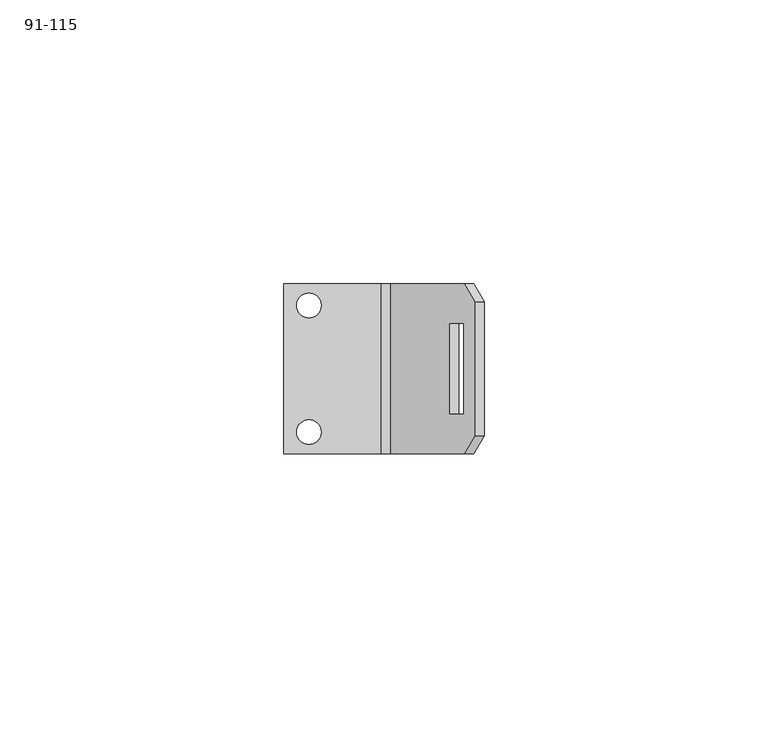
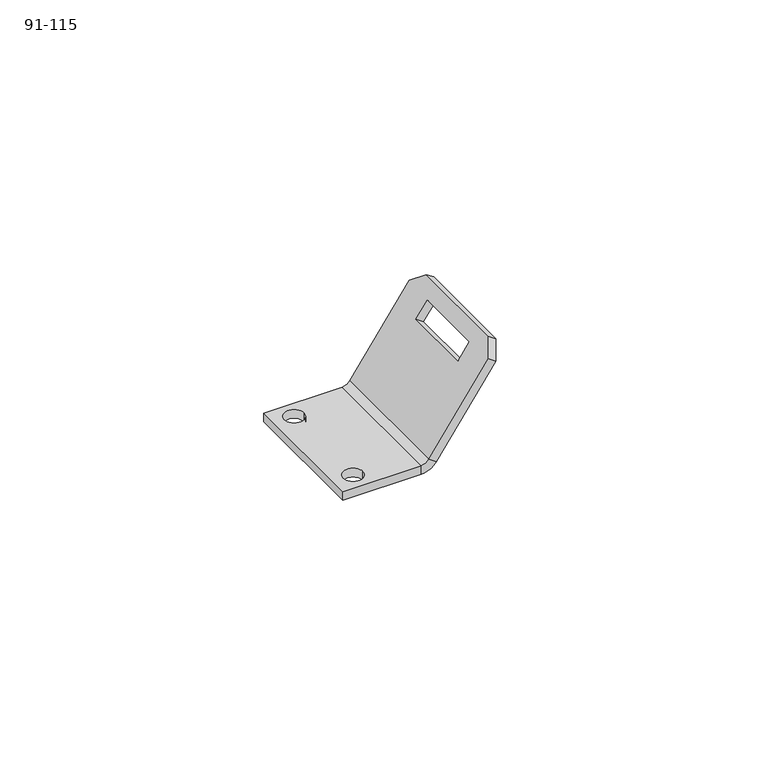
"""IFC4 building model written with IfcOpenShell, lengths in millimetres: proxy geometry, 91-115."""

import ifcopenshell
import ifcopenshell.guid

model = None  # the IFC model being written
_history = None  # IfcOwnerHistory: only IFC2X3 demands one
_inside = {}  # id of a spatial element -> (the spatial element, [elements in it])
_under = {}  # id of a project, library or spatial element -> (it, [spatial elements below it])
_declared = {}  # id of a project -> (the project, [libraries it declares])
_typed = {}  # id of a type object -> (the type object, [elements of that type])
_made_of = {}  # id of a material, layer set ... -> (it, [elements and type objects made of it])


def new_model(schema):
    """Start an empty IFC model of exactly this schema.

    Asked for "IFC4X3", IfcOpenShell would pick the latest addendum, in which some entities
    have other attributes; the version numbers below select the first issue.
    IFC2X3 requires an IfcOwnerHistory on every rooted entity: one is made here for all.
    """
    global model, _history
    if schema == "IFC4X3":
        model = ifcopenshell.file(schema_version=(4, 3, 0, 0))
    else:
        model = ifcopenshell.file(schema=schema)
    _inside.clear()
    _under.clear()
    _declared.clear()
    _typed.clear()
    _made_of.clear()
    _history = None
    if model.schema == "IFC2X3":
        org = make("IfcOrganization", Name="unknown")
        user = make(
            "IfcPersonAndOrganization",
            ThePerson=make("IfcPerson", FamilyName="unknown"),
            TheOrganization=org,
        )
        app = make(
            "IfcApplication",
            ApplicationDeveloper=org,
            Version="unknown",
            ApplicationFullName="unknown",
            ApplicationIdentifier="unknown",
        )
        _history = make(
            "IfcOwnerHistory",
            OwningUser=user,
            OwningApplication=app,
            ChangeAction="ADDED",
            CreationDate=0,
        )
    return model


def make(cls, **values):
    """One entity of the class cls with the attributes given. An attribute that is None is left unset."""
    return model.create_entity(
        cls, **{name: value for name, value in values.items() if value is not None}
    )


def rooted(cls, **values):
    """An entity with a GlobalId (a new one), such as an element, a storey or a relation."""
    return make(cls, GlobalId=ifcopenshell.guid.new(), OwnerHistory=_history, **values)


def si_unit(unit_type, name, prefix=None):
    """IfcSIUnit, for example si_unit("LENGTHUNIT", "METRE", prefix="MILLI")."""
    return make("IfcSIUnit", UnitType=unit_type, Prefix=prefix, Name=name)


def assignment(units):
    """IfcUnitAssignment: the units of a project."""
    return None if units is None else make("IfcUnitAssignment", Units=units)


def point(xyz):
    """IfcCartesianPoint."""
    return None if xyz is None else make("IfcCartesianPoint", Coordinates=xyz)


def direction(xyz):
    """IfcDirection."""
    return None if xyz is None else make("IfcDirection", DirectionRatios=xyz)


def frame(location, z_axis=None, x_axis=None):
    """IfcAxis2Placement3D, a coordinate frame: its origin and axes. An axis left out is left unset."""
    return make(
        "IfcAxis2Placement3D",
        Location=point(location),
        Axis=direction(z_axis),
        RefDirection=direction(x_axis),
    )


def origin():
    """The frame at (0, 0, 0) with its axes left unset."""
    return frame((0.0, 0.0, 0.0))


def place(relative_to, where):
    """IfcLocalPlacement: puts the frame where relative to a parent placement (None: the world)."""
    return make(
        "IfcLocalPlacement", PlacementRelTo=relative_to, RelativePlacement=where
    )


def context(
    kind, dimensions, precision=None, world=None, true_north=None, identifier=None
):
    """IfcGeometricRepresentationContext, for example the 3D "Model" context."""
    return make(
        "IfcGeometricRepresentationContext",
        ContextIdentifier=identifier,
        ContextType=kind,
        CoordinateSpaceDimension=dimensions,
        Precision=precision,
        WorldCoordinateSystem=world,
        TrueNorth=true_north,
    )


def project(units=None, contexts=None):
    """IfcProject with its units and contexts."""
    return rooted(
        "IfcProject",
        Name="project",
        RepresentationContexts=contexts,
        UnitsInContext=assignment(units),
    )


def spatial(cls, under=None, at=None, **own):
    """A site, building, storey or space (cls), placed at a placement, below another one or the project."""
    s = rooted(cls, ObjectPlacement=at, **own)
    if under is not None:
        _under.setdefault(under.id(), (under, []))[1].append(s)
    return s


def polyline(points):
    """IfcPolyline through the points."""
    return make("IfcPolyline", Points=[point(p) for p in points])


def circle_curve(where, radius):
    """IfcCircle in the frame where."""
    return make("IfcCircle", Position=where, Radius=radius)


def shape(context_of_items, identifier, shape_type, items):
    """IfcShapeRepresentation: the items that make up one representation, for example the "Body"."""
    return make(
        "IfcShapeRepresentation",
        ContextOfItems=context_of_items,
        RepresentationIdentifier=identifier,
        RepresentationType=shape_type,
        Items=items,
    )


def source(mapping_origin, context_of_items, identifier, shape_type, items):
    """IfcRepresentationMap: a shape defined once, which mapped items show again and again."""
    return make(
        "IfcRepresentationMap",
        MappingOrigin=mapping_origin,
        MappedRepresentation=shape(context_of_items, identifier, shape_type, items),
    )


def transform(
    local_origin,
    x_axis=None,
    y_axis=None,
    z_axis=None,
    scale=None,
    scale2=None,
    scale3=None,
    uniform=True,
):
    """IfcCartesianTransformationOperator3D, or its non-uniform kind. x_axis, y_axis, z_axis: its Axis1, 2, 3."""
    if uniform:
        return make(
            "IfcCartesianTransformationOperator3D",
            Axis1=direction(x_axis),
            Axis2=direction(y_axis),
            LocalOrigin=point(local_origin),
            Scale=scale,
            Axis3=direction(z_axis),
        )
    return make(
        "IfcCartesianTransformationOperator3DnonUniform",
        Axis1=direction(x_axis),
        Axis2=direction(y_axis),
        LocalOrigin=point(local_origin),
        Scale=scale,
        Axis3=direction(z_axis),
        Scale2=scale2,
        Scale3=scale3,
    )


def mapped(mapping_source, mapping_target):
    """IfcMappedItem: shows the shape of a source again, moved by a transform."""
    return make(
        "IfcMappedItem", MappingSource=mapping_source, MappingTarget=mapping_target
    )


def made_of(thing, what):
    """Note that an element or type object is made of a material, layer set ...; save() writes the relation."""
    if what is not None:
        _made_of.setdefault(what.id(), (what, []))[1].append(thing)
    return thing


def element(
    cls,
    number,
    at=None,
    inside=None,
    cuts=None,
    type_object=None,
    material=None,
    context=None,
    identifier="Body",
    shape_type=None,
    held_by="IfcProductDefinitionShape",
    body=None,
    shapes=None,
    **own,
):
    """One element of the class cls, such as IfcWall. Its Tag is "e" and its number.

    at: its placement. inside: the storey or other place that contains it. cuts: it is an
    opening in that element (IfcRelVoidsElement). A single representation is given by context,
    identifier, shape_type and body (its items); several are given by shapes. held_by: the class
    of the entity that holds the representations. save() writes the other relations.
    """
    e = rooted(cls, Tag="e%d" % number, ObjectPlacement=at, **own)
    if body is not None:
        shapes = [shape(context, identifier, shape_type, body)]
    if shapes is not None:
        e.Representation = make(held_by, Representations=shapes)
    if inside is not None:
        _inside.setdefault(inside.id(), (inside, []))[1].append(e)
    if cuts is not None:
        rooted(
            "IfcRelVoidsElement", RelatingBuildingElement=cuts, RelatedOpeningElement=e
        )
    if type_object is not None:
        _typed.setdefault(type_object.id(), (type_object, []))[1].append(e)
    return made_of(e, material)


def aggregate(whole, parts):
    """IfcRelAggregates: a whole, such as a stair, and the parts it consists of."""
    return rooted("IfcRelAggregates", RelatingObject=whole, RelatedObjects=parts)


def save(model, path):
    """Write the relations noted so far, then the file.

    IfcRelAggregates (storeys below a building ...), IfcRelContainedInSpatialStructure (elements
    in a storey), IfcRelDefinesByType, IfcRelAssociatesMaterial and IfcRelDeclares: one each for
    every whole, place, type object, material and project.
    """
    for whole, parts in _under.values():
        aggregate(whole, parts)
    for where, things in _inside.values():
        rooted(
            "IfcRelContainedInSpatialStructure",
            RelatedElements=things,
            RelatingStructure=where,
        )
    for kind, things in _typed.values():
        rooted("IfcRelDefinesByType", RelatedObjects=things, RelatingType=kind)
    for what, things in _made_of.values():
        rooted("IfcRelAssociatesMaterial", RelatedObjects=things, RelatingMaterial=what)
    for by, libraries in _declared.values():
        rooted("IfcRelDeclares", RelatingContext=by, RelatedDefinitions=libraries)
    model.write(path)


def plane_surface(at):
    """IfcPlane: the flat surface through the origin of the frame at, square to its z axis."""
    return make("IfcPlane", Position=at)


def cylinder_surface(at, radius):
    """IfcCylindricalSurface: all points at the distance radius from the z axis of the frame at."""
    return make("IfcCylindricalSurface", Position=at, Radius=radius)


def revolved_surface(curve, axis_point, axis_direction):
    """IfcSurfaceOfRevolution: the curve turned about the line through axis_point along axis_direction."""
    return make(
        "IfcSurfaceOfRevolution",
        SweptCurve=make("IfcArbitraryOpenProfileDef", ProfileType="CURVE", Curve=curve),
        AxisPosition=make("IfcAxis1Placement", Location=point(axis_point), Axis=direction(axis_direction)),
    )


def advanced_brep(points, edges, surfaces, faces):
    """IfcAdvancedBrep: a solid bounded by faces that lie on surfaces and meet in shared edges.

    An edge is (start, end): straight between two places in points (the first is 0);
    or (start, end, curve); or (start, end, curve, False) where it runs against its curve.
    A face is (place in surfaces, loops), or (place, loops, False) where it looks against
    its surface's normal. A loop lists edges by number (the first is 1), with a minus sign
    where the edge is run from its end to its start. The first loop is the outer one.
    """
    corners = [point(p) for p in points]
    vertices = [make("IfcVertexPoint", VertexGeometry=c) for c in corners]
    made = []
    for start, end, *more in edges:
        made.append(
            make(
                "IfcEdgeCurve",
                EdgeStart=vertices[start],
                EdgeEnd=vertices[end],
                EdgeGeometry=more[0] if more else make("IfcPolyline", Points=[corners[start], corners[end]]),
                SameSense=more[1] if len(more) > 1 else True,
            )
        )
    hull = []
    for where, loops, *sense in faces:
        bounds = []
        for j, loop in enumerate(loops):
            ring = [make("IfcOrientedEdge", EdgeElement=made[abs(k) - 1], Orientation=k > 0) for k in loop]
            bounds.append(
                make(
                    "IfcFaceOuterBound" if j == 0 else "IfcFaceBound",
                    Bound=make("IfcEdgeLoop", EdgeList=ring),
                    Orientation=True,
                )
            )
        hull.append(make("IfcAdvancedFace", Bounds=bounds, FaceSurface=surfaces[where], SameSense=sense[0] if sense else True))
    return make("IfcAdvancedBrep", Outer=make("IfcClosedShell", CfsFaces=hull))


def proxy_91_115_ca65ae9c(model_context):
    return source(origin(), model_context, "Body", "AdvancedBrep", [
        advanced_brep(
        [(2.2733, -3.81, -1.9939), (2.2733, -3.81, 0.0), (6.6167, -3.81, 0.0), (6.6167, -3.81, -1.9939), (2.2733, -26.162, -1.9939), (2.2733, -26.162, 0.0), (6.6167, -26.162, 0.0), (6.6167, -26.162, -1.9939), (17.1476383, -29.972, -1.9939), (20.4142528, -29.972, -0.2934081), (18.7809456, -29.972, 0.8502459), (17.1476383, -29.972, 0.0), (20.4142528, 0.0, -0.2934081), (17.1476383, 0.0, -1.9939), (17.1476383, 0.0, 0.0), (18.7809456, 0.0, 0.8502459), (0.0, 0.0, -1.9939), (0.0, 0.0, 0.0), (0.0, -29.972, 0.0), (0.0, -29.972, -1.9939), (33.5277234, 0.0, 18.4345688), (35.3488286, -3.175, 21.0353765), (35.3488286, -26.797, 21.0353765), (33.5277234, -29.972, 18.4345688), (33.3126322, -22.9235, 18.1273868), (33.3126322, -7.0485, 18.1273868), (30.8749324, -7.0485, 14.6459906), (30.8749324, -22.9235, 14.6459906), (31.8944162, -29.972, 19.5782228), (31.8944162, 0.0, 19.5782228), (33.7155213, -3.175, 22.1790306), (33.7155213, -26.797, 22.1790306), (29.2416251, -22.9235, 15.7896446), (31.679325, -22.9235, 19.2710408), (29.2416251, -7.0485, 15.7896446), (31.679325, -7.0485, 19.2710408)],
        [
            (0, 1),
            (1, 2, circle_curve(frame((4.445, -3.81, 0.0), z_axis=(0.0, 0.0, 1.0), x_axis=(-1.0, 0.0, 0.0)), 2.1717)),
            (2, 3),
            (3, 0, circle_curve(frame((4.445, -3.81, -1.9939), z_axis=(0.0, 0.0, -1.0), x_axis=(-1.0, 0.0, 0.0)), 2.1717)),
            (4, 5),
            (5, 6, circle_curve(frame((4.445, -26.162, 0.0), z_axis=(0.0, 0.0, 1.0), x_axis=(-1.0, 0.0, 0.0)), 2.1717)),
            (6, 7),
            (7, 4, circle_curve(frame((4.445, -26.162, -1.9939), z_axis=(0.0, 0.0, -1.0), x_axis=(-1.0, 0.0, 0.0)), 2.1717)),
            (8, 9, circle_curve(frame((17.1476383, -29.972, 1.9939), z_axis=(0.0, -1.0, 0.0), x_axis=(0.0, 0.0, -1.0)), 3.9878)),
            (9, 10),
            (10, 11, circle_curve(frame((17.1476383, -29.972, 1.9939), z_axis=(0.0, 1.0, 0.0), x_axis=(0.0, 0.0, -1.0)), 1.9939)),
            (11, 8),
            (12, 13, circle_curve(frame((17.1476383, 0.0, 1.9939), z_axis=(0.0, 1.0, 0.0), x_axis=(0.0, 0.0, -1.0)), 3.9878)),
            (13, 14),
            (14, 15, circle_curve(frame((17.1476383, 0.0, 1.9939), z_axis=(0.0, -1.0, 0.0), x_axis=(0.0, 0.0, -1.0)), 1.9939)),
            (15, 12),
            (12, 9),
            (8, 13),
            (14, 11),
            (10, 15),
            (13, 16),
            (16, 17),
            (17, 14),
            (17, 18),
            (18, 11),
            (1, 2, circle_curve(frame((4.445, -3.81, 0.0), z_axis=(0.0, 0.0, -1.0), x_axis=(-1.0, 0.0, 0.0)), 2.1717)),
            (5, 6, circle_curve(frame((4.445, -26.162, 0.0), z_axis=(0.0, 0.0, -1.0), x_axis=(-1.0, 0.0, 0.0)), 2.1717)),
            (8, 19),
            (19, 16),
            (7, 4, circle_curve(frame((4.445, -26.162, -1.9939), z_axis=(0.0, 0.0, 1.0), x_axis=(-1.0, 0.0, 0.0)), 2.1717)),
            (3, 0, circle_curve(frame((4.445, -3.81, -1.9939), z_axis=(0.0, 0.0, 1.0), x_axis=(-1.0, 0.0, 0.0)), 2.1717)),
            (18, 19),
            (12, 20),
            (20, 21),
            (21, 22),
            (22, 23),
            (23, 9),
            (24, 25),
            (25, 26),
            (26, 27),
            (27, 24),
            (23, 28),
            (28, 10),
            (15, 29),
            (29, 20),
            (29, 30),
            (30, 21),
            (30, 31),
            (31, 22),
            (31, 28),
            (27, 32),
            (32, 33),
            (33, 24),
            (26, 34),
            (34, 32),
            (25, 35),
            (35, 34),
            (33, 35),
        ],
        [
            revolved_surface(polyline([(2.2733000000000003, -3.81, -1.9939), (2.2733000000000003, -3.81, 0.0)]), (4.445, -3.81, 0.0), (0.0, 0.0, -1.0)),
            revolved_surface(polyline([(2.2733000000000003, -26.162, -1.9939), (2.2733000000000003, -26.162, 0.0)]), (4.445, -26.162, 0.0), (0.0, 0.0, -1.0)),
            plane_surface(frame((17.1476383, -29.972, -5.483225), z_axis=(0.0, -1.0, 0.0), x_axis=(0.0, 0.0, -1.0))),
            plane_surface(frame((23.2725405, 0.0, -2.2948027), z_axis=(0.0, 1.0, 0.0), x_axis=(0.0, 0.0, 1.0))),
            cylinder_surface(frame((17.1476383, -14.986, 1.9939), z_axis=(0.0, -1.0, 0.0), x_axis=(0.0, 0.0, -1.0)), 3.9878),
            revolved_surface(polyline([(17.1476383, -29.972, 0.0), (17.1476383, 0.0, 0.0)]), (17.1476383, -14.986, 1.9939), (0.0, -1.0, 0.0)),
            plane_surface(frame((18.525723, 0.0, 0.0), z_axis=(0.0, 1.0, 0.0), x_axis=(0.0, 0.0, 1.0))),
            plane_surface(frame((9.2628615, -14.986, 0.0), z_axis=(0.0, 0.0, 1.0), x_axis=(1.0, 0.0, 0.0))),
            plane_surface(frame((9.2628615, -14.986, -1.9939), z_axis=(0.0, 0.0, -1.0), x_axis=(1.0, 0.0, 0.0))),
            plane_surface(frame((0.0, -29.972, 0.0), z_axis=(0.0, -1.0, 0.0), x_axis=(0.0, 0.0, -1.0))),
            plane_surface(frame((0.0, 0.0, 0.0), z_axis=(-1.0, 0.0, 0.0), x_axis=(0.0, 0.0, 1.0))),
            plane_surface(frame((14.3108568, -14.986, -9.009961), z_axis=(0.8191520442889918, 0.0, -0.5735764363510462), x_axis=(0.5735764363510462, 0.0, 0.8191520442889918))),
            plane_surface(frame((7.3645904, -29.972, -15.4539989), z_axis=(0.0, -1.0, 0.0), x_axis=(0.8191520442889918, 0.0, -0.5735764363510462))),
            plane_surface(frame((17.9905086, 0.0, -0.278615), z_axis=(0.0, 1.0, 0.0), x_axis=(-0.8191520442889918, 0.0, 0.5735764363510462))),
            plane_surface(frame((33.7155213, -3.175, 22.1790306), z_axis=(0.4055797876726389, 0.7071067811865476, 0.5792279653395692), x_axis=(0.8191520442889918, 0.0, -0.5735764363510462))),
            plane_surface(frame((33.7155213, -26.797, 22.1790306), z_axis=(0.5735764363510462, 0.0, 0.8191520442889918), x_axis=(0.8191520442889918, 0.0, -0.5735764363510462))),
            plane_surface(frame((31.8944162, -29.972, 19.5782228), z_axis=(0.40557978767263786, -0.7071067811865495, 0.5792279653395677), x_axis=(0.8191520442889918, 0.0, -0.5735764363510462))),
            plane_surface(frame((29.2416251, -22.9235, 15.7896446), z_axis=(0.0, 1.0, 0.0), x_axis=(0.8191520442889918, 0.0, -0.5735764363510462))),
            plane_surface(frame((29.2416251, -7.0485, 15.7896446), z_axis=(0.5735764363510462, 0.0, 0.8191520442889918), x_axis=(-0.8191520442889918, 0.0, 0.5735764363510462))),
            plane_surface(frame((31.679325, -7.0485, 19.2710408), z_axis=(0.0, -1.0, 0.0), x_axis=(-0.8191520442889918, 0.0, 0.5735764363510462))),
            plane_surface(frame((31.679325, -22.9235, 19.2710408), z_axis=(-0.5735764363510462, 0.0, -0.8191520442889918), x_axis=(0.8191520442889918, 0.0, -0.5735764363510462))),
            plane_surface(frame((12.6775495, -14.986, -7.8663069), z_axis=(-0.8191520442889918, 0.0, 0.5735764363510462), x_axis=(0.5735764363510462, 0.0, 0.8191520442889918))),
        ],
        [
            (0, [[1, 2, 3, 4]]),
            (1, [[5, 6, 7, 8]]),
            (2, [[9, 10, 11, 12]]),
            (3, [[13, 14, 15, 16]]),
            (4, [[-13, 17, -9, 18]]),
            (5, [[-15, 19, -11, 20]]),
            (6, [[-14, 21, 22, 23]]),
            (7, [[-19, -23, 24, 25], [-2, 26], [-6, 27]]),
            (8, [[-18, 28, 29, -21], [30, -8], [31, -4]]),
            (9, [[-12, -25, 32, -28]]),
            (1, [[-5, -30, -7, -27]]),
            (0, [[-1, -31, -3, -26]]),
            (10, [[-29, -32, -24, -22]]),
            (11, [[-17, 33, 34, 35, 36, 37], [38, 39, 40, 41]]),
            (12, [[-10, -37, 42, 43]]),
            (13, [[-16, 44, 45, -33]]),
            (14, [[-34, -45, 46, 47]]),
            (15, [[-35, -47, 48, 49]]),
            (16, [[-36, -49, 50, -42]]),
            (17, [[-41, 51, 52, 53]]),
            (18, [[-40, 54, 55, -51]]),
            (19, [[-39, 56, 57, -54]]),
            (20, [[-38, -53, 58, -56]]),
            (21, [[-20, -43, -50, -48, -46, -44], [-58, -52, -55, -57]]),
        ],
    ),
    ])


if __name__ == "__main__":
    model = new_model("IFC4")
    model_context = context("Model", 3, world=origin())
    ifc_project = project(units=[si_unit("LENGTHUNIT", "METRE", prefix="MILLI")], contexts=[model_context])
    site = spatial("IfcSite", under=ifc_project)
    building = spatial("IfcBuilding", under=site)
    placement = place(None, origin())
    proxy_91_115_shape = proxy_91_115_ca65ae9c(model_context)
    element("IfcBuildingElementProxy", 1, Name="91-115", ObjectType="91-115", at=placement, inside=building, context=model_context, shape_type="MappedRepresentation", body=[
        mapped(proxy_91_115_shape, transform((0.0, 0.0, 0.0), x_axis=(1.0, 0.0, 0.0), y_axis=(0.0, 1.0, 0.0), z_axis=(0.0, 0.0, 1.0))),
    ])
    save(model, "model.ifc")
